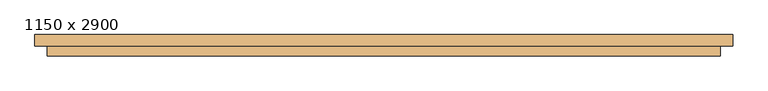
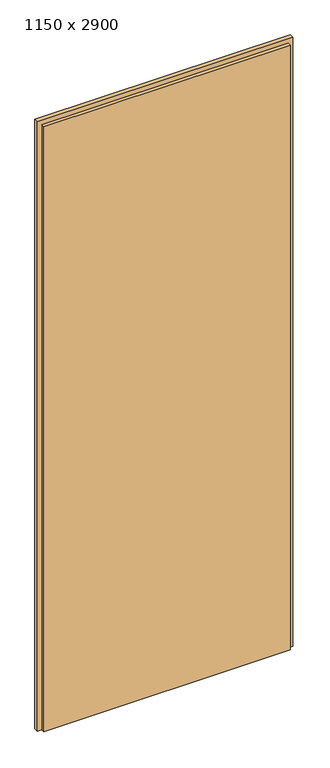
"""IFC4 building model written with IfcOpenShell, lengths in millimetres: door geometry, 1150 x 2900."""

from ifc_helpers import new_model, si_unit, frame, origin, origin_with_axes, place, context, project, spatial, polyline, outline, extrude, source, transform, mapped, element, save


def door_1150_x_2900_be30ac3f(model_context):
    return source(origin(), model_context, "Body", "SweptSolid", [
        extrude(outline(polyline([(2880.0, 555.0), (0.0, 555.0), (0.0, 575.0), (2900.0, 575.0), (2900.0, -575.0), (0.0, -575.0), (0.0, -555.0), (2880.0, -555.0), (2880.0, 555.0)])), frame((0.0, -9.0, 0.0), z_axis=(0.0, 1.0, 0.0), x_axis=(0.0, 0.0, 1.0)), (0.0, 0.0, 1.0), 19.0),
        extrude(outline(polyline([(-555.0, 5.0), (555.0, 5.0), (555.0, -25.0), (-555.0, -25.0), (-555.0, 5.0)])), origin_with_axes(), (0.0, 0.0, 1.0), 2880.0),
    ])


if __name__ == "__main__":
    model = new_model("IFC4")
    model_context = context("Model", 3, world=origin())
    ifc_project = project(units=[si_unit("LENGTHUNIT", "METRE", prefix="MILLI")], contexts=[model_context])
    site = spatial("IfcSite", under=ifc_project)
    building = spatial("IfcBuilding", under=site)
    placement = place(None, origin())
    door_1150_x_2900_shape = door_1150_x_2900_be30ac3f(model_context)
    element("IfcDoor", 1, ObjectType="1150 x 2900", at=placement, inside=building, context=model_context, shape_type="MappedRepresentation", body=[
        mapped(door_1150_x_2900_shape, transform((0.0, 0.0, 0.0), x_axis=(1.0, 0.0, 0.0), y_axis=(0.0, 1.0, 0.0), z_axis=(0.0, 0.0, 1.0))),
    ])
    save(model, "model.ifc")
